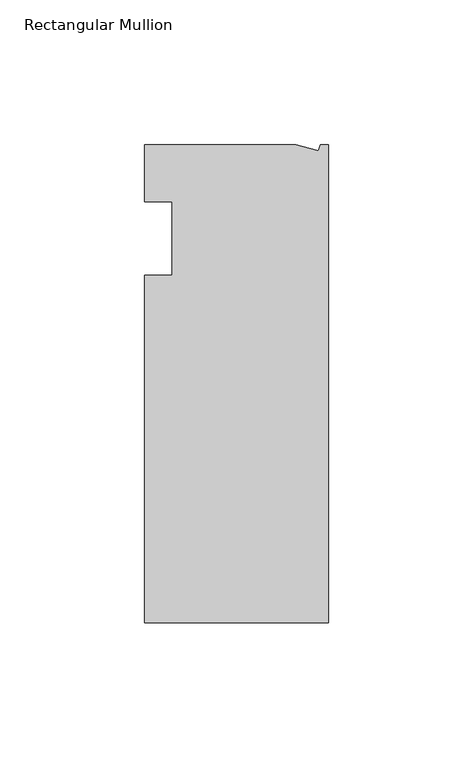
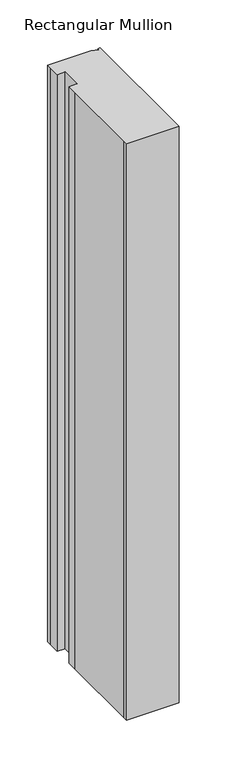
"""IFC4 building model written with IfcOpenShell, lengths in millimetres: member geometry, Rectangular Mullion."""

from ifc_helpers import new_model, si_unit, frame, origin, place, context, project, spatial, polyline, outline, extrude, source, transform, mapped, element, save


def rectangular_mullion_88a5235a(model_context):
    return source(origin(), model_context, "Body", "SweptSolid", [
        extrude(outline(polyline([(-11.1265412, 19.6597595), (-3.3457217, 17.5748952), (-2.787084, 19.6597595), (0.0, 19.6597595), (0.0, -145.4402405), (-63.5, -145.4402405), (-63.5, -139.0912527), (-63.5, -38.3358837), (-63.5, -25.4), (-53.975, -25.4), (-53.975, 0.0), (-63.5, 0.0), (-63.5, 13.6146679), (-63.5, 19.6597595), (-11.1265412, 19.6597595)])), frame((0.0, 0.0, -736.6), z_axis=(0.0, 0.0, 1.0), x_axis=(1.0, 0.0, 0.0)), (0.0, 0.0, 1.0), 736.6),
    ])


if __name__ == "__main__":
    model = new_model("IFC4")
    model_context = context("Model", 3, world=origin())
    ifc_project = project(units=[si_unit("LENGTHUNIT", "METRE", prefix="MILLI")], contexts=[model_context])
    site = spatial("IfcSite", under=ifc_project)
    building = spatial("IfcBuilding", under=site)
    placement = place(None, origin())
    rectangular_mullion_shape = rectangular_mullion_88a5235a(model_context)
    element("IfcMember", 1, ObjectType="Rectangular Mullion", at=placement, inside=building, context=model_context, shape_type="MappedRepresentation", body=[
        mapped(rectangular_mullion_shape, transform((0.0, 0.0, 0.0), x_axis=(1.0, 0.0, 0.0), y_axis=(0.0, 1.0, 0.0), z_axis=(0.0, 0.0, 1.0))),
    ])
    save(model, "model.ifc")
